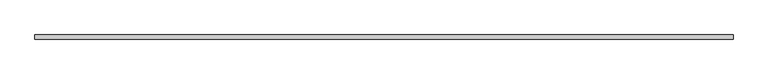
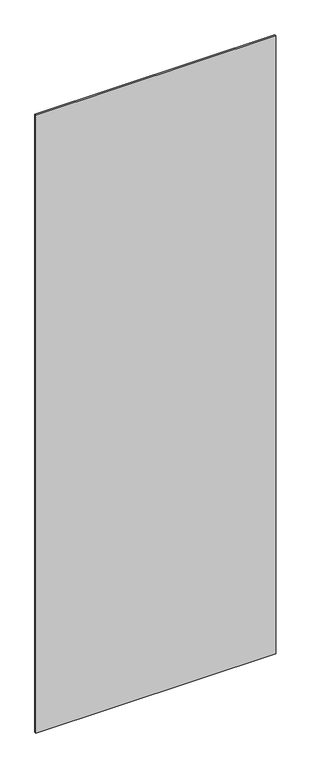
"""IFC4 building model written with IfcOpenShell, lengths in millimetres: plate geometry."""

from ifc_helpers import new_model, si_unit, origin, origin_with_axes, place, context, project, spatial, polyline, outline, extrude, source, transform, mapped, element, save


def plate_f6993687(model_context):
    return source(origin(), model_context, "Body", "SweptSolid", [
        extrude(outline(polyline([(800.8743782, -5.0), (-800.8743782, -5.0), (-800.8743782, 5.0), (800.8743782, 5.0), (800.8743782, -5.0)])), origin_with_axes(), (0.0, 0.0, 1.0), 4360.0),
    ])


if __name__ == "__main__":
    model = new_model("IFC4")
    model_context = context("Model", 3, world=origin())
    ifc_project = project(units=[si_unit("LENGTHUNIT", "METRE", prefix="MILLI")], contexts=[model_context])
    site = spatial("IfcSite", under=ifc_project)
    building = spatial("IfcBuilding", under=site)
    placement = place(None, origin())
    plate_shape = plate_f6993687(model_context)
    element("IfcPlate", 1, at=placement, inside=building, context=model_context, shape_type="MappedRepresentation", body=[
        mapped(plate_shape, transform((0.0, 0.0, 0.0), x_axis=(1.0, 0.0, 0.0), y_axis=(0.0, 1.0, 0.0), z_axis=(0.0, 0.0, 1.0))),
    ])
    save(model, "model.ifc")
